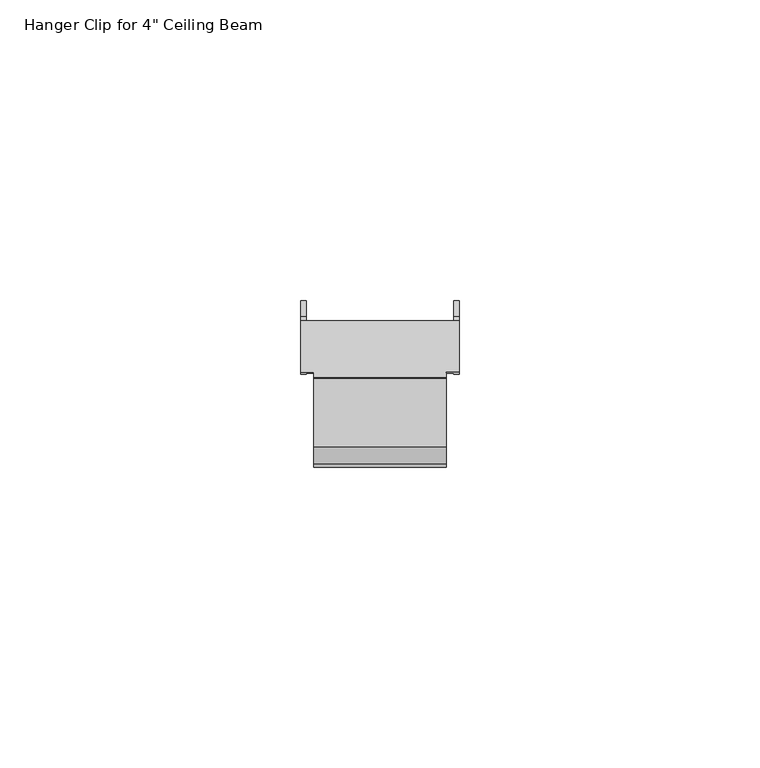
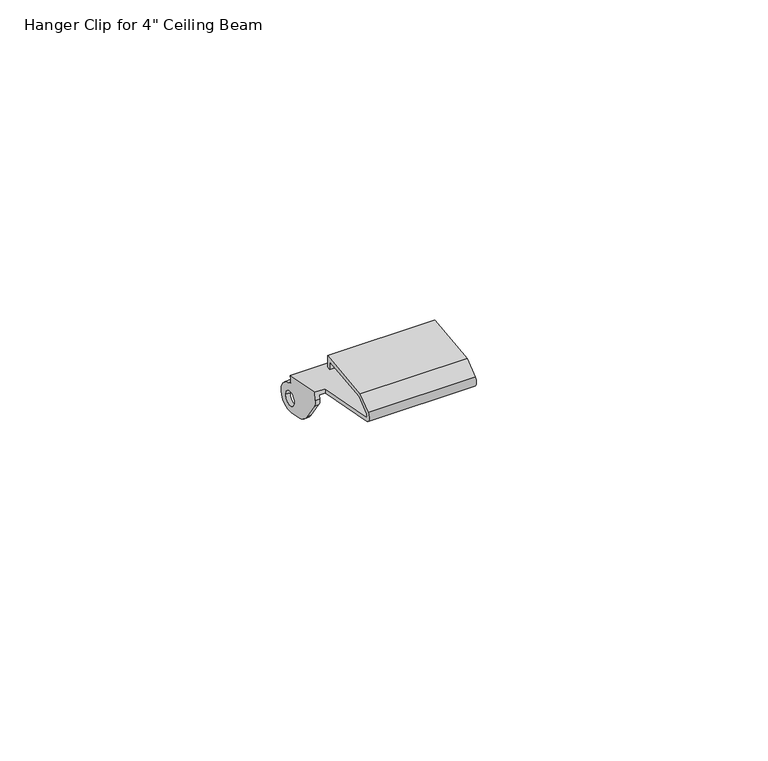
"""IFC4 building model written with IfcOpenShell, lengths in millimetres: proxy geometry."""

import ifcopenshell
import ifcopenshell.guid

model = None  # the IFC model being written
_history = None  # IfcOwnerHistory: only IFC2X3 demands one
_inside = {}  # id of a spatial element -> (the spatial element, [elements in it])
_under = {}  # id of a project, library or spatial element -> (it, [spatial elements below it])
_declared = {}  # id of a project -> (the project, [libraries it declares])
_typed = {}  # id of a type object -> (the type object, [elements of that type])
_made_of = {}  # id of a material, layer set ... -> (it, [elements and type objects made of it])


def new_model(schema):
    """Start an empty IFC model of exactly this schema.

    Asked for "IFC4X3", IfcOpenShell would pick the latest addendum, in which some entities
    have other attributes; the version numbers below select the first issue.
    IFC2X3 requires an IfcOwnerHistory on every rooted entity: one is made here for all.
    """
    global model, _history
    if schema == "IFC4X3":
        model = ifcopenshell.file(schema_version=(4, 3, 0, 0))
    else:
        model = ifcopenshell.file(schema=schema)
    _inside.clear()
    _under.clear()
    _declared.clear()
    _typed.clear()
    _made_of.clear()
    _history = None
    if model.schema == "IFC2X3":
        org = make("IfcOrganization", Name="unknown")
        user = make(
            "IfcPersonAndOrganization",
            ThePerson=make("IfcPerson", FamilyName="unknown"),
            TheOrganization=org,
        )
        app = make(
            "IfcApplication",
            ApplicationDeveloper=org,
            Version="unknown",
            ApplicationFullName="unknown",
            ApplicationIdentifier="unknown",
        )
        _history = make(
            "IfcOwnerHistory",
            OwningUser=user,
            OwningApplication=app,
            ChangeAction="ADDED",
            CreationDate=0,
        )
    return model


def make(cls, **values):
    """One entity of the class cls with the attributes given. An attribute that is None is left unset."""
    return model.create_entity(
        cls, **{name: value for name, value in values.items() if value is not None}
    )


def rooted(cls, **values):
    """An entity with a GlobalId (a new one), such as an element, a storey or a relation."""
    return make(cls, GlobalId=ifcopenshell.guid.new(), OwnerHistory=_history, **values)


def si_unit(unit_type, name, prefix=None):
    """IfcSIUnit, for example si_unit("LENGTHUNIT", "METRE", prefix="MILLI")."""
    return make("IfcSIUnit", UnitType=unit_type, Prefix=prefix, Name=name)


def assignment(units):
    """IfcUnitAssignment: the units of a project."""
    return None if units is None else make("IfcUnitAssignment", Units=units)


def point(xyz):
    """IfcCartesianPoint."""
    return None if xyz is None else make("IfcCartesianPoint", Coordinates=xyz)


def direction(xyz):
    """IfcDirection."""
    return None if xyz is None else make("IfcDirection", DirectionRatios=xyz)


def frame(location, z_axis=None, x_axis=None):
    """IfcAxis2Placement3D, a coordinate frame: its origin and axes. An axis left out is left unset."""
    return make(
        "IfcAxis2Placement3D",
        Location=point(location),
        Axis=direction(z_axis),
        RefDirection=direction(x_axis),
    )


def origin():
    """The frame at (0, 0, 0) with its axes left unset."""
    return frame((0.0, 0.0, 0.0))


def place(relative_to, where):
    """IfcLocalPlacement: puts the frame where relative to a parent placement (None: the world)."""
    return make(
        "IfcLocalPlacement", PlacementRelTo=relative_to, RelativePlacement=where
    )


def context(
    kind, dimensions, precision=None, world=None, true_north=None, identifier=None
):
    """IfcGeometricRepresentationContext, for example the 3D "Model" context."""
    return make(
        "IfcGeometricRepresentationContext",
        ContextIdentifier=identifier,
        ContextType=kind,
        CoordinateSpaceDimension=dimensions,
        Precision=precision,
        WorldCoordinateSystem=world,
        TrueNorth=true_north,
    )


def project(units=None, contexts=None):
    """IfcProject with its units and contexts."""
    return rooted(
        "IfcProject",
        Name="project",
        RepresentationContexts=contexts,
        UnitsInContext=assignment(units),
    )


def spatial(cls, under=None, at=None, **own):
    """A site, building, storey or space (cls), placed at a placement, below another one or the project."""
    s = rooted(cls, ObjectPlacement=at, **own)
    if under is not None:
        _under.setdefault(under.id(), (under, []))[1].append(s)
    return s


def polyline(points):
    """IfcPolyline through the points."""
    return make("IfcPolyline", Points=[point(p) for p in points])


def circle_curve(where, radius):
    """IfcCircle in the frame where."""
    return make("IfcCircle", Position=where, Radius=radius)


def shape(context_of_items, identifier, shape_type, items):
    """IfcShapeRepresentation: the items that make up one representation, for example the "Body"."""
    return make(
        "IfcShapeRepresentation",
        ContextOfItems=context_of_items,
        RepresentationIdentifier=identifier,
        RepresentationType=shape_type,
        Items=items,
    )


def source(mapping_origin, context_of_items, identifier, shape_type, items):
    """IfcRepresentationMap: a shape defined once, which mapped items show again and again."""
    return make(
        "IfcRepresentationMap",
        MappingOrigin=mapping_origin,
        MappedRepresentation=shape(context_of_items, identifier, shape_type, items),
    )


def transform(
    local_origin,
    x_axis=None,
    y_axis=None,
    z_axis=None,
    scale=None,
    scale2=None,
    scale3=None,
    uniform=True,
):
    """IfcCartesianTransformationOperator3D, or its non-uniform kind. x_axis, y_axis, z_axis: its Axis1, 2, 3."""
    if uniform:
        return make(
            "IfcCartesianTransformationOperator3D",
            Axis1=direction(x_axis),
            Axis2=direction(y_axis),
            LocalOrigin=point(local_origin),
            Scale=scale,
            Axis3=direction(z_axis),
        )
    return make(
        "IfcCartesianTransformationOperator3DnonUniform",
        Axis1=direction(x_axis),
        Axis2=direction(y_axis),
        LocalOrigin=point(local_origin),
        Scale=scale,
        Axis3=direction(z_axis),
        Scale2=scale2,
        Scale3=scale3,
    )


def mapped(mapping_source, mapping_target):
    """IfcMappedItem: shows the shape of a source again, moved by a transform."""
    return make(
        "IfcMappedItem", MappingSource=mapping_source, MappingTarget=mapping_target
    )


def made_of(thing, what):
    """Note that an element or type object is made of a material, layer set ...; save() writes the relation."""
    if what is not None:
        _made_of.setdefault(what.id(), (what, []))[1].append(thing)
    return thing


def element(
    cls,
    number,
    at=None,
    inside=None,
    cuts=None,
    type_object=None,
    material=None,
    context=None,
    identifier="Body",
    shape_type=None,
    held_by="IfcProductDefinitionShape",
    body=None,
    shapes=None,
    **own,
):
    """One element of the class cls, such as IfcWall. Its Tag is "e" and its number.

    at: its placement. inside: the storey or other place that contains it. cuts: it is an
    opening in that element (IfcRelVoidsElement). A single representation is given by context,
    identifier, shape_type and body (its items); several are given by shapes. held_by: the class
    of the entity that holds the representations. save() writes the other relations.
    """
    e = rooted(cls, Tag="e%d" % number, ObjectPlacement=at, **own)
    if body is not None:
        shapes = [shape(context, identifier, shape_type, body)]
    if shapes is not None:
        e.Representation = make(held_by, Representations=shapes)
    if inside is not None:
        _inside.setdefault(inside.id(), (inside, []))[1].append(e)
    if cuts is not None:
        rooted(
            "IfcRelVoidsElement", RelatingBuildingElement=cuts, RelatedOpeningElement=e
        )
    if type_object is not None:
        _typed.setdefault(type_object.id(), (type_object, []))[1].append(e)
    return made_of(e, material)


def aggregate(whole, parts):
    """IfcRelAggregates: a whole, such as a stair, and the parts it consists of."""
    return rooted("IfcRelAggregates", RelatingObject=whole, RelatedObjects=parts)


def save(model, path):
    """Write the relations noted so far, then the file.

    IfcRelAggregates (storeys below a building ...), IfcRelContainedInSpatialStructure (elements
    in a storey), IfcRelDefinesByType, IfcRelAssociatesMaterial and IfcRelDeclares: one each for
    every whole, place, type object, material and project.
    """
    for whole, parts in _under.values():
        aggregate(whole, parts)
    for where, things in _inside.values():
        rooted(
            "IfcRelContainedInSpatialStructure",
            RelatedElements=things,
            RelatingStructure=where,
        )
    for kind, things in _typed.values():
        rooted("IfcRelDefinesByType", RelatedObjects=things, RelatingType=kind)
    for what, things in _made_of.values():
        rooted("IfcRelAssociatesMaterial", RelatedObjects=things, RelatingMaterial=what)
    for by, libraries in _declared.values():
        rooted("IfcRelDeclares", RelatingContext=by, RelatedDefinitions=libraries)
    model.write(path)


def plane_surface(at):
    """IfcPlane: the flat surface through the origin of the frame at, square to its z axis."""
    return make("IfcPlane", Position=at)


def cylinder_surface(at, radius):
    """IfcCylindricalSurface: all points at the distance radius from the z axis of the frame at."""
    return make("IfcCylindricalSurface", Position=at, Radius=radius)


def revolved_surface(curve, axis_point, axis_direction):
    """IfcSurfaceOfRevolution: the curve turned about the line through axis_point along axis_direction."""
    return make(
        "IfcSurfaceOfRevolution",
        SweptCurve=make("IfcArbitraryOpenProfileDef", ProfileType="CURVE", Curve=curve),
        AxisPosition=make("IfcAxis1Placement", Location=point(axis_point), Axis=direction(axis_direction)),
    )


def advanced_brep(points, edges, surfaces, faces):
    """IfcAdvancedBrep: a solid bounded by faces that lie on surfaces and meet in shared edges.

    An edge is (start, end): straight between two places in points (the first is 0);
    or (start, end, curve); or (start, end, curve, False) where it runs against its curve.
    A face is (place in surfaces, loops), or (place, loops, False) where it looks against
    its surface's normal. A loop lists edges by number (the first is 1), with a minus sign
    where the edge is run from its end to its start. The first loop is the outer one.
    """
    corners = [point(p) for p in points]
    vertices = [make("IfcVertexPoint", VertexGeometry=c) for c in corners]
    made = []
    for start, end, *more in edges:
        made.append(
            make(
                "IfcEdgeCurve",
                EdgeStart=vertices[start],
                EdgeEnd=vertices[end],
                EdgeGeometry=more[0] if more else make("IfcPolyline", Points=[corners[start], corners[end]]),
                SameSense=more[1] if len(more) > 1 else True,
            )
        )
    hull = []
    for where, loops, *sense in faces:
        bounds = []
        for j, loop in enumerate(loops):
            ring = [make("IfcOrientedEdge", EdgeElement=made[abs(k) - 1], Orientation=k > 0) for k in loop]
            bounds.append(
                make(
                    "IfcFaceOuterBound" if j == 0 else "IfcFaceBound",
                    Bound=make("IfcEdgeLoop", EdgeList=ring),
                    Orientation=True,
                )
            )
        hull.append(make("IfcAdvancedFace", Bounds=bounds, FaceSurface=surfaces[where], SameSense=sense[0] if sense else True))
    return make("IfcAdvancedBrep", Outer=make("IfcClosedShell", CfsFaces=hull))


def proxy_b474f22a(model_context):
    return source(origin(), model_context, "Body", "AdvancedBrep", [
        advanced_brep(
        [(24.1, 8.1863514, 173.081693), (25.345, 8.1863514, 173.081693), (25.345, 8.0387707, 172.285251), (26.245, 8.0387707, 172.285251), (26.245, 8.333932, 173.8781351), (24.1, 8.333932, 173.8781351), (26.245, 16.9477112, 172.2820027), (-0.045, 16.9477112, 172.2820027), (-0.045, 8.333932, 173.8781351), (2.1, 8.333932, 173.8781351), (2.1, -6.2456559, 176.5797312), (24.1, -6.2456559, 176.5797312), (25.345, 16.8001306, 171.4855606), (0.855, 16.8001306, 171.4855606), (-0.045, 16.7956427, 171.4613412), (26.245, 16.7956427, 171.4613412), (24.1, -6.3932365, 175.7832891), (2.1, -6.3932365, 175.7832891), (2.1, 8.1863514, 173.081693), (0.855, 8.1863514, 173.081693), (0.855, 15.0, 171.8191246), (25.345, 15.0, 171.8191246), (-0.045, 8.0387707, 172.285251), (0.855, 8.0387707, 172.285251), (0.855, 13.776769, 164.979098), (0.855, 16.6042184, 164.4551719), (0.855, 19.5307721, 165.2265164), (0.855, 17.6177938, 170.2922065), (0.855, 8.5011324, 170.6972767), (0.855, 11.2004023, 166.7701331), (0.855, 15.6143228, 167.2080305), (0.855, 18.6143228, 167.2080305), (-0.045, 13.776769, 164.979098), (-0.045, 11.2004023, 166.7701331), (-0.045, 8.5011324, 170.6972767), (-0.045, 17.6177938, 170.2922065), (-0.045, 19.5307721, 165.2265164), (-0.045, 16.6042184, 164.4551719), (-0.045, 15.6143228, 167.2080305), (-0.045, 18.6143228, 167.2080305), (2.1, -6.9581718, 177.9673908), (2.1, -4.1035478, 180.3207427), (2.1, 7.4042149, 181.6323279), (2.1, 7.4261105, 179.1341807), (2.1, 6.6160793, 179.1341807), (2.1, 6.6021304, 180.7256671), (2.1, -3.7734331, 179.5431232), (2.1, -6.4429248, 177.3423944), (24.1, -6.4429248, 177.3423944), (24.1, -3.7734331, 179.5431232), (24.1, 6.6021304, 180.7256671), (24.1, 6.6160793, 179.1341807), (24.1, 7.4261105, 179.1341807), (24.1, 7.4042149, 181.6323279), (24.1, -4.1035478, 180.3207427), (24.1, -6.9581718, 177.9673908), (25.345, 13.776769, 164.979098), (25.345, 11.2004023, 166.7701331), (25.345, 8.5011324, 170.6972767), (25.345, 17.6177938, 170.2922065), (25.345, 19.5307721, 165.2265164), (25.345, 16.6042184, 164.4551719), (25.345, 15.6143228, 167.2080305), (25.345, 18.6143228, 167.2080305), (26.245, 13.776769, 164.979098), (26.245, 16.6042184, 164.4551719), (26.245, 19.5307721, 165.2265164), (26.245, 17.6177938, 170.2922065), (26.245, 8.5011324, 170.6972767), (26.245, 11.2004023, 166.7701331), (26.245, 15.6143228, 167.2080305), (26.245, 18.6143228, 167.2080305)],
        [
            (0, 1),
            (1, 2),
            (2, 3),
            (3, 4),
            (4, 5),
            (5, 0),
            (4, 6),
            (6, 7),
            (7, 8),
            (8, 9),
            (9, 10),
            (10, 11),
            (11, 5),
            (12, 13),
            (13, 14),
            (14, 7),
            (6, 15),
            (15, 12),
            (0, 16),
            (16, 17),
            (17, 18),
            (18, 19),
            (19, 20),
            (20, 13),
            (12, 21),
            (21, 1),
            (18, 9),
            (8, 22),
            (22, 23),
            (23, 19),
            (24, 25),
            (25, 26, circle_curve(frame((0.855, 17.2502464, 167.9415633), z_axis=(1.0, 0.0, 0.0), x_axis=(0.0, 0.6431732914476849, -0.7657206521756819)), 3.5457407)),
            (26, 27, circle_curve(frame((0.855, 17.1143228, 167.2080305), z_axis=(1.0, 0.0, 0.0), x_axis=(0.0, 0.16111070983934786, 0.9869363399809846)), 3.125)),
            (27, 13, circle_curve(frame((0.855, 17.7789045, 171.2791429), z_axis=(-1.0, 0.0, 0.0), x_axis=(0.0, -0.983261804376691, 0.1821983096900019)), 1.0)),
            (23, 28, circle_curve(frame((0.855, 10.6751837, 172.1915819), z_axis=(1.0, 0.0, 0.0), x_axis=(0.0, -0.8241047498588686, -0.5664374292541515)), 2.6380764)),
            (28, 29),
            (29, 24, circle_curve(frame((0.855, 14.8595515, 169.2852005), z_axis=(1.0, 0.0, 0.0), x_axis=(0.0, -0.24386165076657013, -0.9698100305139163)), 4.4401506)),
            (30, 31, circle_curve(frame((0.855, 17.1143228, 167.2080305), z_axis=(-1.0, 0.0, 0.0), x_axis=(0.0, 1.0, 0.0)), 1.5)),
            (31, 30, circle_curve(frame((0.855, 17.1143228, 167.2080305), z_axis=(-1.0, 0.0, 0.0), x_axis=(0.0, 1.0, 0.0)), 1.5)),
            (32, 33, circle_curve(frame((-0.045, 14.8595515, 169.2852005), z_axis=(-1.0, 0.0, 0.0), x_axis=(0.0, -0.24386165076657013, -0.9698100305139163)), 4.4401506)),
            (33, 34),
            (34, 22, circle_curve(frame((-0.045, 10.6751837, 172.1915819), z_axis=(-1.0, 0.0, 0.0), x_axis=(0.0, -0.8241047498588686, -0.5664374292541515)), 2.6380764)),
            (14, 35, circle_curve(frame((-0.045, 17.7789045, 171.2791429), z_axis=(1.0, 0.0, 0.0), x_axis=(0.0, -0.983261804376691, 0.1821983096900019)), 1.0)),
            (35, 36, circle_curve(frame((-0.045, 17.1143228, 167.2080305), z_axis=(-1.0, 0.0, 0.0), x_axis=(0.0, 0.16111070983934786, 0.9869363399809846)), 3.125)),
            (36, 37, circle_curve(frame((-0.045, 17.2502464, 167.9415633), z_axis=(-1.0, 0.0, 0.0), x_axis=(0.0, 0.6431732914476849, -0.7657206521756819)), 3.5457407)),
            (37, 32),
            (38, 39, circle_curve(frame((-0.045, 17.1143228, 167.2080305), z_axis=(1.0, 0.0, 0.0), x_axis=(0.0, 1.0, 0.0)), 1.5)),
            (39, 38, circle_curve(frame((-0.045, 17.1143228, 167.2080305), z_axis=(1.0, 0.0, 0.0), x_axis=(0.0, 1.0, 0.0)), 1.5)),
            (29, 33),
            (32, 24),
            (28, 34),
            (27, 35),
            (26, 36),
            (25, 37),
            (31, 39),
            (38, 30),
            (17, 40, circle_curve(frame((2.1, -6.1664725, 177.0070568), z_axis=(-1.0, 0.0, 0.0), x_axis=(0.0, -0.1821983096898112, -0.9832618043767264)), 1.2446)),
            (40, 41),
            (41, 42),
            (42, 43),
            (43, 44),
            (44, 45),
            (45, 46),
            (46, 47),
            (47, 10, circle_curve(frame((2.1, -6.1664725, 177.0070568), z_axis=(1.0, 0.0, 0.0), x_axis=(0.0, -0.6361074253995674, 0.7716005076148756)), 0.4346)),
            (11, 48, circle_curve(frame((24.1, -6.1664725, 177.0070568), z_axis=(-1.0, 0.0, 0.0), x_axis=(0.0, -0.6361074253995674, 0.7716005076148756)), 0.4346)),
            (48, 49),
            (49, 50),
            (50, 51),
            (51, 52),
            (52, 53),
            (53, 54),
            (54, 55),
            (55, 16, circle_curve(frame((24.1, -6.1664725, 177.0070568), z_axis=(1.0, 0.0, 0.0), x_axis=(0.0, -0.1821983096898112, -0.9832618043767264)), 1.2446)),
            (55, 40),
            (54, 41),
            (53, 42),
            (52, 43),
            (51, 44),
            (50, 45),
            (49, 46),
            (48, 47),
            (56, 57, circle_curve(frame((25.345, 14.8595515, 169.2852005), z_axis=(-1.0, 0.0, 0.0), x_axis=(0.0, -0.24386165076657013, -0.9698100305139163)), 4.4401506)),
            (57, 58),
            (58, 2, circle_curve(frame((25.345, 10.6751837, 172.1915819), z_axis=(-1.0, 0.0, 0.0), x_axis=(0.0, -0.8241047498588686, -0.5664374292541515)), 2.6380764)),
            (12, 59, circle_curve(frame((25.345, 17.7789045, 171.2791429), z_axis=(1.0, 0.0, 0.0), x_axis=(0.0, -0.983261804376691, 0.1821983096900019)), 1.0)),
            (59, 60, circle_curve(frame((25.345, 17.1143228, 167.2080305), z_axis=(-1.0, 0.0, 0.0), x_axis=(0.0, 0.16111070983934786, 0.9869363399809846)), 3.125)),
            (60, 61, circle_curve(frame((25.345, 17.2502464, 167.9415633), z_axis=(-1.0, 0.0, 0.0), x_axis=(0.0, 0.6431732914476849, -0.7657206521756819)), 3.5457407)),
            (61, 56),
            (62, 63, circle_curve(frame((25.345, 17.1143228, 167.2080305), z_axis=(1.0, 0.0, 0.0), x_axis=(0.0, 1.0, 0.0)), 1.5)),
            (63, 62, circle_curve(frame((25.345, 17.1143228, 167.2080305), z_axis=(1.0, 0.0, 0.0), x_axis=(0.0, 1.0, 0.0)), 1.5)),
            (64, 65),
            (65, 66, circle_curve(frame((26.245, 17.2502464, 167.9415633), z_axis=(1.0, 0.0, 0.0), x_axis=(0.0, 0.6431732914476849, -0.7657206521756819)), 3.5457407)),
            (66, 67, circle_curve(frame((26.245, 17.1143228, 167.2080305), z_axis=(1.0, 0.0, 0.0), x_axis=(0.0, 0.16111070983934786, 0.9869363399809846)), 3.125)),
            (67, 15, circle_curve(frame((26.245, 17.7789045, 171.2791429), z_axis=(-1.0, 0.0, 0.0), x_axis=(0.0, -0.983261804376691, 0.1821983096900019)), 1.0)),
            (3, 68, circle_curve(frame((26.245, 10.6751837, 172.1915819), z_axis=(1.0, 0.0, 0.0), x_axis=(0.0, -0.8241047498588686, -0.5664374292541515)), 2.6380764)),
            (68, 69),
            (69, 64, circle_curve(frame((26.245, 14.8595515, 169.2852005), z_axis=(1.0, 0.0, 0.0), x_axis=(0.0, -0.24386165076657013, -0.9698100305139163)), 4.4401506)),
            (70, 71, circle_curve(frame((26.245, 17.1143228, 167.2080305), z_axis=(-1.0, 0.0, 0.0), x_axis=(0.0, 1.0, 0.0)), 1.5)),
            (71, 70, circle_curve(frame((26.245, 17.1143228, 167.2080305), z_axis=(-1.0, 0.0, 0.0), x_axis=(0.0, 1.0, 0.0)), 1.5)),
            (56, 64),
            (69, 57),
            (68, 58),
            (67, 59),
            (66, 60),
            (65, 61),
            (62, 70),
            (71, 63),
        ],
        [
            plane_surface(frame((24.1, 8.1863514, 173.081693), z_axis=(0.0, -0.9832618043767257, 0.1821983096898148), x_axis=(1.0, 0.0, 0.0))),
            plane_surface(frame((24.1, 8.333932, 173.8781351), z_axis=(0.0, 0.18219830968981215, 0.9832618043767262), x_axis=(1.0, 0.0, 0.0))),
            plane_surface(frame((24.1, 16.9477112, 172.2820027), z_axis=(0.0, 0.9832618043766902, -0.18219830969000625), x_axis=(1.0, 0.0, 0.0))),
            plane_surface(frame((24.1, 16.8001306, 171.4855606), z_axis=(0.0, -0.18219830968981301, -0.9832618043767261), x_axis=(1.0, 0.0, 0.0))),
            plane_surface(frame((2.1, 8.333932, 173.8781351), z_axis=(0.0, -0.9832618043767257, 0.1821983096898148), x_axis=(-1.0, 0.0, 0.0))),
            plane_surface(frame((0.855, 16.6042184, 164.4551719), z_axis=(1.0, 0.0, 0.0), x_axis=(0.0, 0.983261804376724, -0.18219830968982417))),
            plane_surface(frame((-0.045, 16.6042184, 164.4551719), z_axis=(-1.0, 0.0, 0.0), x_axis=(0.0, -0.983261804376724, 0.18219830968982417))),
            cylinder_surface(frame((-0.045, 14.8595515, 169.2852005), z_axis=(1.0, 0.0, 0.0), x_axis=(0.0, -0.24386165076657013, -0.9698100305139163)), 4.4401506),
            plane_surface(frame((0.855, 8.5011324, 170.6972767), z_axis=(0.0, -0.8241047498588696, -0.5664374292541499), x_axis=(-1.0, 0.0, 0.0))),
            cylinder_surface(frame((-0.045, 10.6751837, 172.1915819), z_axis=(1.0000000000000002, 0.0, 0.0), x_axis=(0.0, -0.8241047498588686, -0.5664374292541515)), 2.6380764),
            revolved_surface(polyline([(-0.045, 16.795642695623307, 171.46134120969), (0.855, 16.795642695623307, 171.46134120969)]), (-0.045, 17.7789045, 171.2791429), (-1.0, 0.0, 0.0)),
            cylinder_surface(frame((-0.045, 17.1143228, 167.2080305), z_axis=(1.0000000000000002, 0.0, 0.0), x_axis=(0.0, 0.16111070983934786, 0.9869363399809846)), 3.125),
            cylinder_surface(frame((-0.045, 17.2502464, 167.9415633), z_axis=(1.0, 0.0, 0.0), x_axis=(0.0, 0.6431732914476849, -0.7657206521756819)), 3.5457407),
            plane_surface(frame((0.855, 13.776769, 164.979098), z_axis=(0.0, -0.18219830968982417, -0.983261804376724), x_axis=(-1.0, 0.0, 0.0))),
            revolved_surface(polyline([(-0.04499999999999993, 18.6143228, 167.2080305), (0.8550000000000004, 18.6143228, 167.2080305)]), (14.355, 17.1143228, 167.2080305), (-1.0, 0.0, 0.0)),
            plane_surface(frame((2.1, 16.9477112, 172.2820027), z_axis=(-1.0, 0.0, 0.0), x_axis=(0.0, -0.1821983096900063, -0.9832618043766902))),
            plane_surface(frame((24.1, 16.9477112, 172.2820027), z_axis=(1.0, 0.0, 0.0), x_axis=(0.0, 0.1821983096900063, 0.9832618043766902))),
            cylinder_surface(frame((24.1, -6.1664725, 177.0070568), z_axis=(-1.0, 0.0, 0.0), x_axis=(0.0, -0.1821983096898112, -0.9832618043767264)), 1.2446),
            plane_surface(frame((2.1, -6.9581718, 177.9673908), z_axis=(0.0, -0.6361074253995667, 0.7716005076148763), x_axis=(1.0, 0.0, 0.0))),
            plane_surface(frame((2.1, -4.1035478, 180.3207427), z_axis=(0.0, -0.11324081984960013, 0.9935675702838688), x_axis=(1.0, 0.0, 0.0))),
            plane_surface(frame((2.1, 7.4042149, 181.6323279), z_axis=(0.0, 0.9999615920532106, 0.008764383515608648), x_axis=(1.0, 0.0, 0.0))),
            plane_surface(frame((2.1, 7.4261105, 179.1341807), z_axis=(0.0, 0.0, -1.0), x_axis=(1.0, 0.0, 0.0))),
            plane_surface(frame((2.1, 6.6160793, 179.1341807), z_axis=(0.0, -0.9999615920532104, -0.008764383515608072), x_axis=(1.0, 0.0, 0.0))),
            plane_surface(frame((2.1, 6.6021304, 180.7256671), z_axis=(0.0, 0.11324081984960119, -0.9935675702838686), x_axis=(1.0, 0.0, 0.0))),
            plane_surface(frame((2.1, -3.7734331, 179.5431232), z_axis=(0.0, 0.6361074253995657, -0.7716005076148772), x_axis=(1.0, 0.0, 0.0))),
            revolved_surface(polyline([(24.1, -6.442924787078653, 177.34239438060942), (2.1000000000000014, -6.442924787078653, 177.34239438060942)]), (24.1, -6.1664725, 177.0070568), (1.0, 0.0, 0.0)),
            plane_surface(frame((25.345, 13.776769, 164.979098), z_axis=(-1.0, 0.0, 0.0), x_axis=(0.0, -0.9698100305139163, 0.24386165076657013))),
            plane_surface(frame((26.245, 13.776769, 164.979098), z_axis=(1.0, 0.0, 0.0), x_axis=(0.0, 0.9698100305139163, -0.24386165076657013))),
            cylinder_surface(frame((26.245, 14.8595515, 169.2852005), z_axis=(-1.0, 0.0, 0.0), x_axis=(0.0, -0.24386165076657013, -0.9698100305139163)), 4.4401506),
            plane_surface(frame((25.345, 11.2004023, 166.7701331), z_axis=(0.0, -0.8241047498588695, -0.56643742925415), x_axis=(1.0, 0.0, 0.0))),
            cylinder_surface(frame((26.245, 10.6751837, 172.1915819), z_axis=(-1.0000000000000002, 0.0, 0.0), x_axis=(0.0, -0.8241047498588686, -0.5664374292541515)), 2.6380764),
            revolved_surface(polyline([(26.245, 16.795642695623307, 171.46134120969), (25.345, 16.795642695623307, 171.46134120969)]), (26.245, 17.7789045, 171.2791429), (1.0, 0.0, 0.0)),
            cylinder_surface(frame((26.245, 17.1143228, 167.2080305), z_axis=(-1.0000000000000002, 0.0, 0.0), x_axis=(0.0, 0.16111070983934786, 0.9869363399809846)), 3.125),
            cylinder_surface(frame((26.245, 17.2502464, 167.9415633), z_axis=(-1.0, 0.0, 0.0), x_axis=(0.0, 0.6431732914476849, -0.7657206521756819)), 3.5457407),
            plane_surface(frame((25.345, 16.6042184, 164.4551719), z_axis=(0.0, -0.1821983096898225, -0.9832618043767243), x_axis=(1.0, 0.0, 0.0))),
            revolved_surface(polyline([(26.245, 18.6143228, 167.2080305), (25.345, 18.6143228, 167.2080305)]), (11.845, 17.1143228, 167.2080305), (1.0, 0.0, 0.0)),
        ],
        [
            (0, [[1, 2, 3, 4, 5, 6]]),
            (1, [[-5, 7, 8, 9, 10, 11, 12, 13]]),
            (2, [[14, 15, 16, -8, 17, 18]]),
            (3, [[-1, 19, 20, 21, 22, 23, 24, -14, 25, 26]]),
            (4, [[-22, 27, -10, 28, 29, 30]]),
            (5, [[31, 32, 33, 34, -24, -23, -30, 35, 36, 37], [38, 39]]),
            (6, [[40, 41, 42, -28, -9, -16, 43, 44, 45, 46], [47, 48]]),
            (7, [[-37, 49, -40, 50]]),
            (8, [[-36, 51, -41, -49]]),
            (9, [[-35, -29, -42, -51]]),
            (10, [[-34, 52, -43, -15]]),
            (11, [[-33, 53, -44, -52]]),
            (12, [[-32, 54, -45, -53]]),
            (13, [[-31, -50, -46, -54]]),
            (14, [[-39, 55, -47, 56]]),
            (14, [[-38, -56, -48, -55]]),
            (15, [[57, 58, 59, 60, 61, 62, 63, 64, 65, -11, -27, -21]]),
            (16, [[66, 67, 68, 69, 70, 71, 72, 73, 74, -19, -6, -13]]),
            (17, [[-57, -20, -74, 75]]),
            (18, [[-58, -75, -73, 76]]),
            (19, [[-59, -76, -72, 77]]),
            (20, [[-60, -77, -71, 78]]),
            (21, [[-61, -78, -70, 79]]),
            (22, [[-62, -79, -69, 80]]),
            (23, [[-63, -80, -68, 81]]),
            (24, [[-64, -81, -67, 82]]),
            (25, [[-65, -82, -66, -12]]),
            (26, [[83, 84, 85, -2, -26, -25, 86, 87, 88, 89], [90, 91]]),
            (27, [[92, 93, 94, 95, -17, -7, -4, 96, 97, 98], [99, 100]]),
            (28, [[-83, 101, -98, 102]]),
            (29, [[-84, -102, -97, 103]]),
            (30, [[-85, -103, -96, -3]]),
            (31, [[-86, -18, -95, 104]]),
            (32, [[-87, -104, -94, 105]]),
            (33, [[-88, -105, -93, 106]]),
            (34, [[-89, -106, -92, -101]]),
            (35, [[-90, 107, -100, 108]]),
            (35, [[-91, -108, -99, -107]]),
        ],
    ),
    ])


if __name__ == "__main__":
    model = new_model("IFC4")
    model_context = context("Model", 3, world=origin())
    ifc_project = project(units=[si_unit("LENGTHUNIT", "METRE", prefix="MILLI")], contexts=[model_context])
    site = spatial("IfcSite", under=ifc_project)
    building = spatial("IfcBuilding", under=site)
    placement = place(None, origin())
    proxy_shape = proxy_b474f22a(model_context)
    element("IfcBuildingElementProxy", 1, Name="Hanger Clip for 4\" Ceiling Beam", ObjectType="Hanger Clip for 4\" Ceiling Beam", at=placement, inside=building, context=model_context, shape_type="MappedRepresentation", body=[
        mapped(proxy_shape, transform((0.0, 0.0, 0.0), x_axis=(1.0, 0.0, 0.0), y_axis=(0.0, 1.0, 0.0), z_axis=(0.0, 0.0, 1.0))),
    ])
    save(model, "model.ifc")
